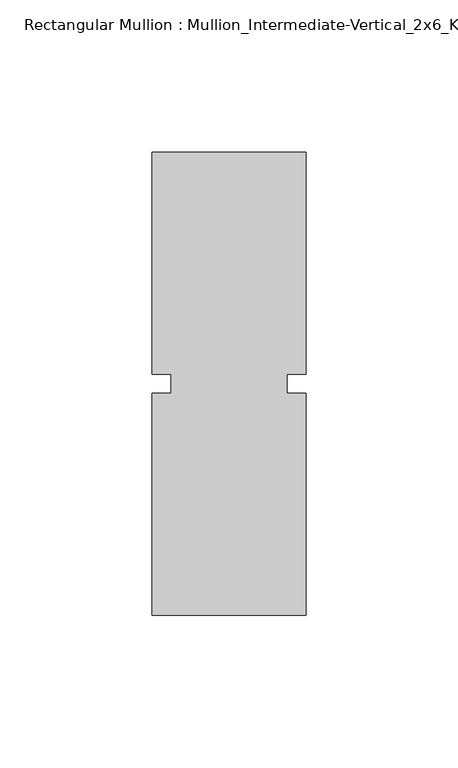
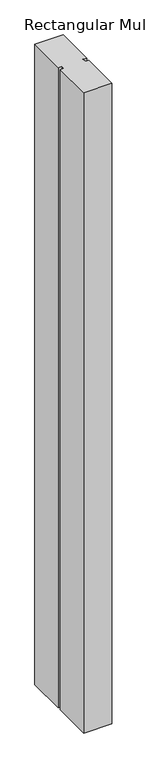
"""IFC4 building model written with IfcOpenShell, lengths in millimetres: member geometry, Rectangular Mullion : Mullion_Intermediate-Vertical_2x6_Kawneer."""

from ifc_helpers import new_model, si_unit, frame, origin, place, context, project, spatial, polyline, outline, extrude, source, transform, mapped, element, save


def rectangular_mullion_mullion_intermediate_vertical_2x6_b86f5b9e(model_context):
    return source(origin(), model_context, "Body", "SweptSolid", [
        extrude(outline(polyline([(25.4, -76.2), (-25.4, -76.2), (-25.4, -3.175), (-19.05, -3.175), (-19.05, 3.175), (-25.4, 3.175), (-25.4, 76.2), (25.4, 76.2), (25.4, 3.175), (19.05, 3.175), (19.05, -3.175), (25.4, -3.175), (25.4, -76.2)])), frame((0.0, 0.0, -1219.2), z_axis=(0.0, 0.0, 1.0), x_axis=(1.0, 0.0, 0.0)), (0.0, 0.0, 1.0), 1219.2),
    ])


if __name__ == "__main__":
    model = new_model("IFC4")
    model_context = context("Model", 3, world=origin())
    ifc_project = project(units=[si_unit("LENGTHUNIT", "METRE", prefix="MILLI")], contexts=[model_context])
    site = spatial("IfcSite", under=ifc_project)
    building = spatial("IfcBuilding", under=site)
    placement = place(None, origin())
    rectangular_mullion_mullion_intermediate_vertical_2x6_shape = rectangular_mullion_mullion_intermediate_vertical_2x6_b86f5b9e(model_context)
    element("IfcMember", 1, ObjectType="Rectangular Mullion : Mullion_Intermediate-Vertical_2x6_Kawneer", at=placement, inside=building, context=model_context, shape_type="MappedRepresentation", body=[
        mapped(rectangular_mullion_mullion_intermediate_vertical_2x6_shape, transform((0.0, 0.0, 0.0), x_axis=(1.0, 0.0, 0.0), y_axis=(0.0, 1.0, 0.0), z_axis=(0.0, 0.0, 1.0))),
    ])
    save(model, "model.ifc")
